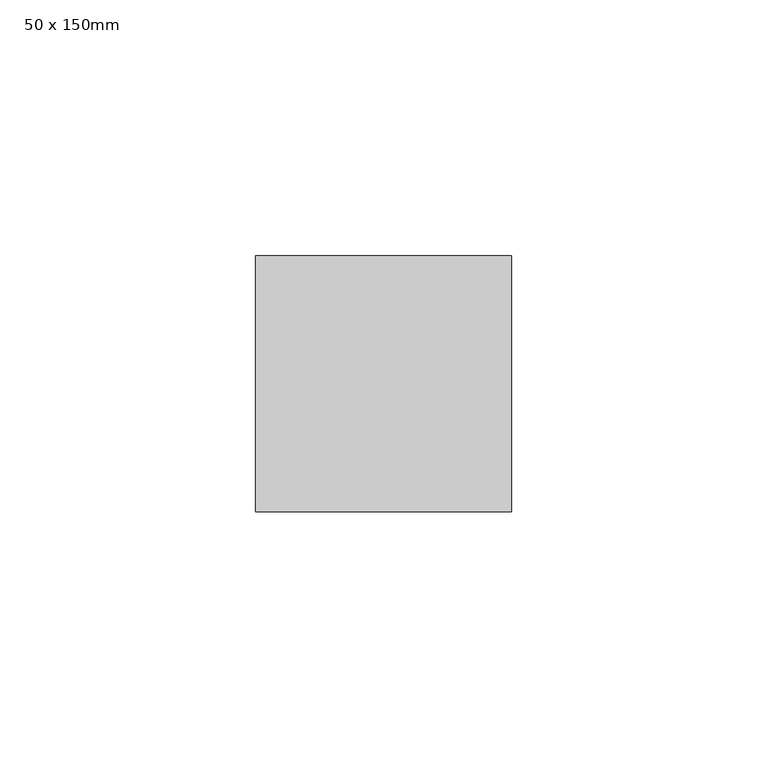
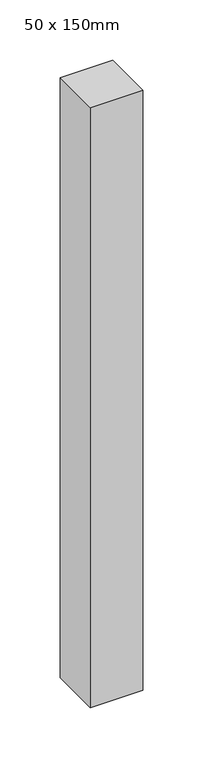
"""IFC4 building model written with IfcOpenShell, lengths in millimetres: member geometry, 50 x 150mm."""

from ifc_helpers import new_model, si_unit, frame, origin, place, context, project, spatial, polyline, outline, extrude, source, transform, mapped, element, save


def member_50_x_150mm_1edd3338(model_context):
    return source(origin(), model_context, "Body", "SweptSolid", [
        extrude(outline(polyline([(25.0, 25.0), (25.0, -25.0), (-25.0, -25.0), (-25.0, 25.0), (25.0, 25.0)])), frame((0.0, 0.0, -607.5235227), z_axis=(0.0, 0.0, 1.0), x_axis=(1.0, 0.0, 0.0)), (0.0, 0.0, 1.0), 607.5235227),
    ])


if __name__ == "__main__":
    model = new_model("IFC4")
    model_context = context("Model", 3, world=origin())
    ifc_project = project(units=[si_unit("LENGTHUNIT", "METRE", prefix="MILLI")], contexts=[model_context])
    site = spatial("IfcSite", under=ifc_project)
    building = spatial("IfcBuilding", under=site)
    placement = place(None, origin())
    member_50_x_150mm_shape = member_50_x_150mm_1edd3338(model_context)
    element("IfcMember", 1, ObjectType="50 x 150mm", at=placement, inside=building, context=model_context, shape_type="MappedRepresentation", body=[
        mapped(member_50_x_150mm_shape, transform((0.0, 0.0, 0.0), x_axis=(1.0, 0.0, 0.0), y_axis=(0.0, 1.0, 0.0), z_axis=(0.0, 0.0, 1.0))),
    ])
    save(model, "model.ifc")
